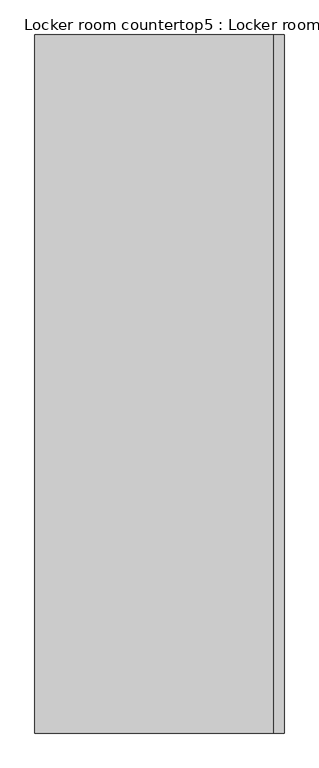
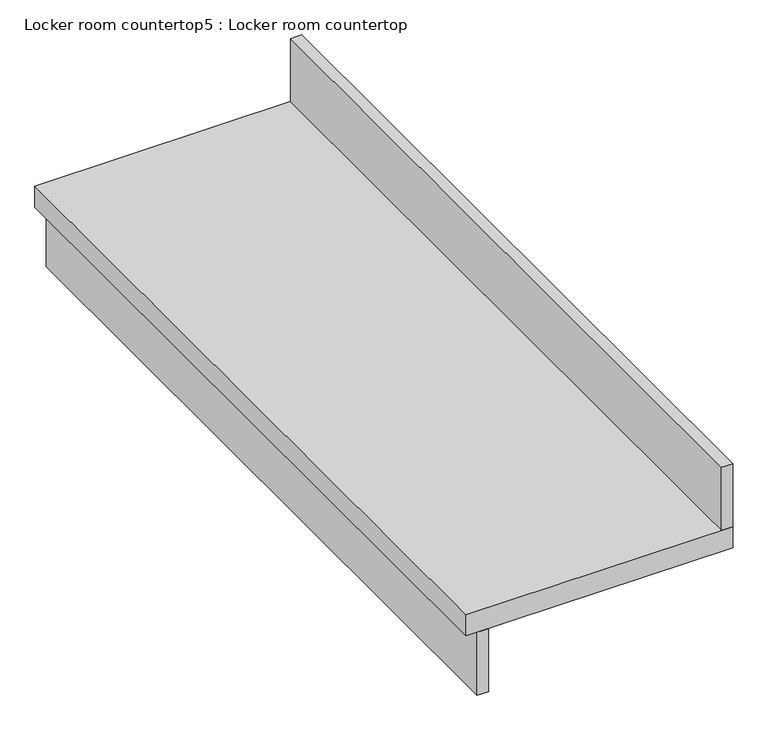
"""IFC4 building model written with IfcOpenShell, lengths in millimetres: furniture geometry, Locker room countertop5 : Locker room countertop."""

from ifc_helpers import new_model, si_unit, frame, origin, place, context, project, spatial, polyline, outline, extrude, source, transform, mapped, element, save


def locker_room_countertop5_locker_room_countertop_023e724a(model_context):
    return source(origin(), model_context, "Body", "SweptSolid", [
        extrude(outline(polyline([(112159.8842613, -116910.8327671), (112159.8842613, -115202.6827671), (112185.2842613, -115202.6827671), (112185.2842613, -116910.8327671), (112159.8842613, -116910.8327671)])), frame((0.0, 0.0, 660.4), z_axis=(0.0, 0.0, 1.0), x_axis=(1.0, 0.0, 0.0)), (0.0, 0.0, 1.0), 152.4),
        extrude(outline(polyline([(112718.6842613, -115202.6827671), (112744.0842613, -115202.6827671), (112744.0842613, -116910.8327671), (112718.6842613, -116910.8327671), (112718.6842613, -115202.6827671)])), frame((0.0, 0.0, 863.6), z_axis=(0.0, 0.0, 1.0), x_axis=(1.0, 0.0, 0.0)), (0.0, 0.0, 1.0), 152.4),
        extrude(outline(polyline([(112134.4842613, -115202.6827671), (112744.0842613, -115202.6827671), (112744.0842613, -116910.8327671), (112134.4842613, -116910.8327671), (112134.4842613, -115202.6827671)])), frame((0.0, 0.0, 812.8), z_axis=(0.0, 0.0, 1.0), x_axis=(1.0, 0.0, 0.0)), (0.0, 0.0, 1.0), 50.8),
    ])


if __name__ == "__main__":
    model = new_model("IFC4")
    model_context = context("Model", 3, world=origin())
    ifc_project = project(units=[si_unit("LENGTHUNIT", "METRE", prefix="MILLI")], contexts=[model_context])
    site = spatial("IfcSite", under=ifc_project)
    building = spatial("IfcBuilding", under=site)
    placement = place(None, origin())
    locker_room_countertop5_locker_room_countertop_shape = locker_room_countertop5_locker_room_countertop_023e724a(model_context)
    element("IfcFurniture", 1, ObjectType="Locker room countertop5 : Locker room countertop", at=placement, inside=building, context=model_context, shape_type="MappedRepresentation", body=[
        mapped(locker_room_countertop5_locker_room_countertop_shape, transform((0.0, 0.0, 0.0), x_axis=(1.0, 0.0, 0.0), y_axis=(0.0, 1.0, 0.0), z_axis=(0.0, 0.0, 1.0))),
    ])
    save(model, "model.ifc")
